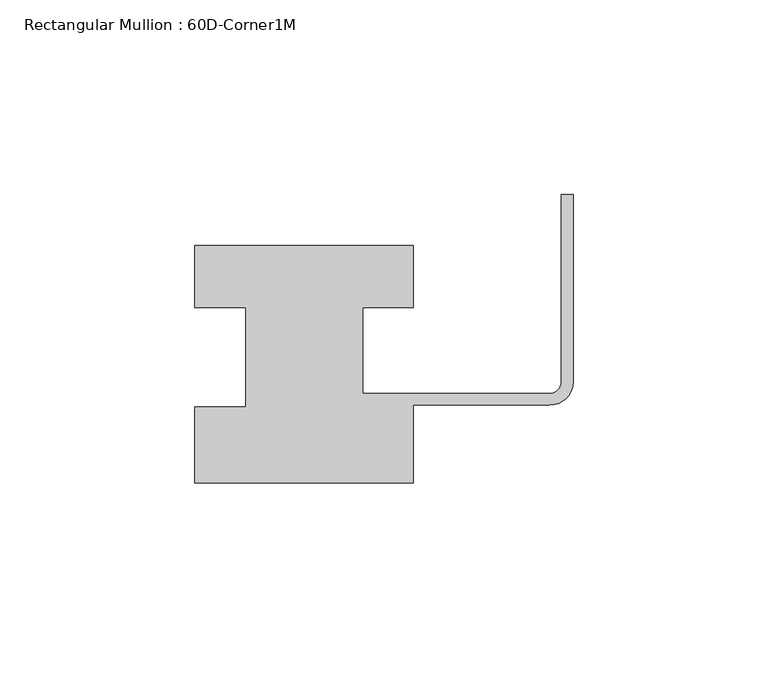
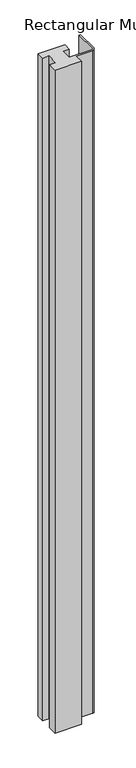
"""IFC4 building model written with IfcOpenShell, lengths in millimetres: member geometry, Rectangular Mullion : 60D-Corner1M."""

from ifc_helpers import new_model, si_unit, point, frame, frame_2d, origin, place, context, project, spatial, polyline, circle_curve, trimmed, segment, composite_curve, outline, extrude, source, transform, mapped, element, save


def rectangular_mullion_60d_corner1m_5397c9f2(model_context):
    return source(origin(), model_context, "Body", "SweptSolid", [
        extrude(outline(composite_curve([segment(polyline([(-97.0, 25.0), (-97.0, 41.0), (-41.0, 41.0), (-41.0, 25.0), (-54.0, 25.0), (-54.0, 3.0), (-6.0, 3.0)]), True, "CONTINUOUS"), segment(trimmed(circle_curve(frame_2d((-6.0, 6.0)), 3.0), [point((-6.0, 3.0))], [point((-3.0, 6.0))], True, "CARTESIAN"), True, "CONTINUOUS"), segment(polyline([(-3.0, 6.0), (-3.0, 54.0), (0.0, 54.0), (0.0, 6.0)]), True, "CONTINUOUS"), segment(trimmed(circle_curve(frame_2d((-6.0, 6.0)), 6.0), [point((0.0, 6.0))], [point((-6.0, 0.0))], False, "CARTESIAN"), True, "CONTINUOUS"), segment(polyline([(-6.0, 0.0), (-41.0, 0.0), (-41.0, -20.0), (-97.0, -20.0), (-97.0, -0.5), (-84.0, -0.5), (-84.0, 25.0), (-97.0, 25.0)]), True, "CONTINUOUS")], self_intersect=False)), frame((0.0, 0.0, -1477.534293), z_axis=(0.0, 0.0, 1.0), x_axis=(1.0, 0.0, 0.0)), (0.0, 0.0, 1.0), 1477.534293),
    ])


if __name__ == "__main__":
    model = new_model("IFC4")
    model_context = context("Model", 3, world=origin())
    ifc_project = project(units=[si_unit("LENGTHUNIT", "METRE", prefix="MILLI")], contexts=[model_context])
    site = spatial("IfcSite", under=ifc_project)
    building = spatial("IfcBuilding", under=site)
    placement = place(None, origin())
    rectangular_mullion_60d_corner1m_shape = rectangular_mullion_60d_corner1m_5397c9f2(model_context)
    element("IfcMember", 1, ObjectType="Rectangular Mullion : 60D-Corner1M", at=placement, inside=building, context=model_context, shape_type="MappedRepresentation", body=[
        mapped(rectangular_mullion_60d_corner1m_shape, transform((0.0, 0.0, 0.0), x_axis=(1.0, 0.0, 0.0), y_axis=(0.0, 1.0, 0.0), z_axis=(0.0, 0.0, 1.0))),
    ])
    save(model, "model.ifc")
